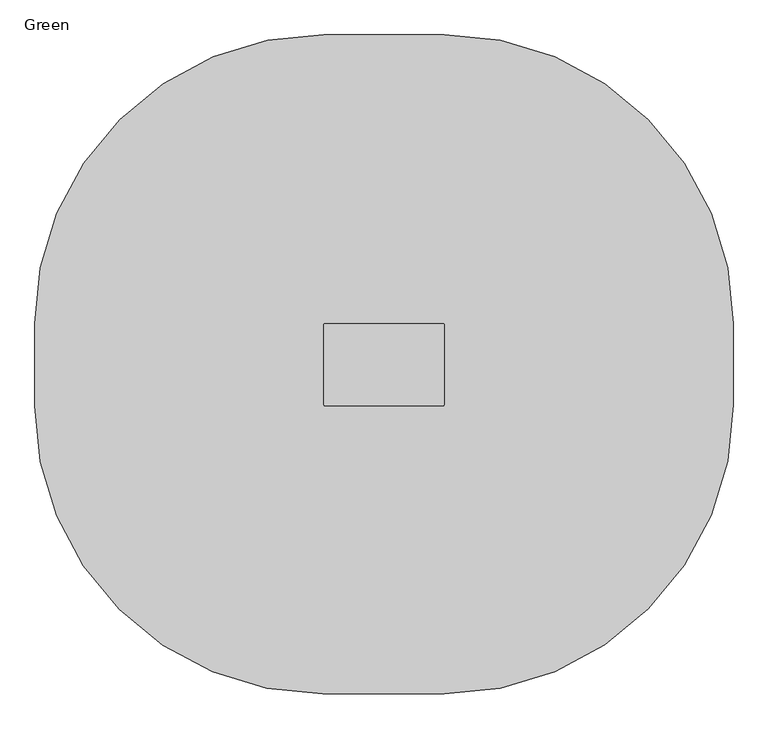
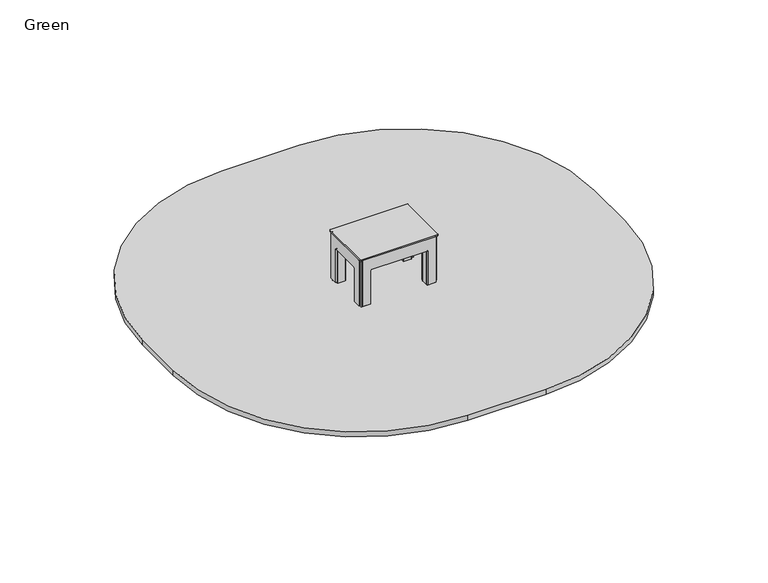
"""IFC4 building model written with IfcOpenShell, lengths in millimetres: furniture geometry, Green."""

import ifcopenshell
import ifcopenshell.guid

model = None  # the IFC model being written
_history = None  # IfcOwnerHistory: only IFC2X3 demands one
_inside = {}  # id of a spatial element -> (the spatial element, [elements in it])
_under = {}  # id of a project, library or spatial element -> (it, [spatial elements below it])
_declared = {}  # id of a project -> (the project, [libraries it declares])
_typed = {}  # id of a type object -> (the type object, [elements of that type])
_made_of = {}  # id of a material, layer set ... -> (it, [elements and type objects made of it])


def new_model(schema):
    """Start an empty IFC model of exactly this schema.

    Asked for "IFC4X3", IfcOpenShell would pick the latest addendum, in which some entities
    have other attributes; the version numbers below select the first issue.
    IFC2X3 requires an IfcOwnerHistory on every rooted entity: one is made here for all.
    """
    global model, _history
    if schema == "IFC4X3":
        model = ifcopenshell.file(schema_version=(4, 3, 0, 0))
    else:
        model = ifcopenshell.file(schema=schema)
    _inside.clear()
    _under.clear()
    _declared.clear()
    _typed.clear()
    _made_of.clear()
    _history = None
    if model.schema == "IFC2X3":
        org = make("IfcOrganization", Name="unknown")
        user = make(
            "IfcPersonAndOrganization",
            ThePerson=make("IfcPerson", FamilyName="unknown"),
            TheOrganization=org,
        )
        app = make(
            "IfcApplication",
            ApplicationDeveloper=org,
            Version="unknown",
            ApplicationFullName="unknown",
            ApplicationIdentifier="unknown",
        )
        _history = make(
            "IfcOwnerHistory",
            OwningUser=user,
            OwningApplication=app,
            ChangeAction="ADDED",
            CreationDate=0,
        )
    return model


def make(cls, **values):
    """One entity of the class cls with the attributes given. An attribute that is None is left unset."""
    return model.create_entity(
        cls, **{name: value for name, value in values.items() if value is not None}
    )


def rooted(cls, **values):
    """An entity with a GlobalId (a new one), such as an element, a storey or a relation."""
    return make(cls, GlobalId=ifcopenshell.guid.new(), OwnerHistory=_history, **values)


def si_unit(unit_type, name, prefix=None):
    """IfcSIUnit, for example si_unit("LENGTHUNIT", "METRE", prefix="MILLI")."""
    return make("IfcSIUnit", UnitType=unit_type, Prefix=prefix, Name=name)


def assignment(units):
    """IfcUnitAssignment: the units of a project."""
    return None if units is None else make("IfcUnitAssignment", Units=units)


def point(xyz):
    """IfcCartesianPoint."""
    return None if xyz is None else make("IfcCartesianPoint", Coordinates=xyz)


def direction(xyz):
    """IfcDirection."""
    return None if xyz is None else make("IfcDirection", DirectionRatios=xyz)


def frame(location, z_axis=None, x_axis=None):
    """IfcAxis2Placement3D, a coordinate frame: its origin and axes. An axis left out is left unset."""
    return make(
        "IfcAxis2Placement3D",
        Location=point(location),
        Axis=direction(z_axis),
        RefDirection=direction(x_axis),
    )


def frame_2d(location, x_axis=None):
    """IfcAxis2Placement2D, a coordinate frame in the plane: its origin and x axis."""
    return make(
        "IfcAxis2Placement2D", Location=point(location), RefDirection=direction(x_axis)
    )


def origin():
    """The frame at (0, 0, 0) with its axes left unset."""
    return frame((0.0, 0.0, 0.0))


def place(relative_to, where):
    """IfcLocalPlacement: puts the frame where relative to a parent placement (None: the world)."""
    return make(
        "IfcLocalPlacement", PlacementRelTo=relative_to, RelativePlacement=where
    )


def context(
    kind, dimensions, precision=None, world=None, true_north=None, identifier=None
):
    """IfcGeometricRepresentationContext, for example the 3D "Model" context."""
    return make(
        "IfcGeometricRepresentationContext",
        ContextIdentifier=identifier,
        ContextType=kind,
        CoordinateSpaceDimension=dimensions,
        Precision=precision,
        WorldCoordinateSystem=world,
        TrueNorth=true_north,
    )


def project(units=None, contexts=None):
    """IfcProject with its units and contexts."""
    return rooted(
        "IfcProject",
        Name="project",
        RepresentationContexts=contexts,
        UnitsInContext=assignment(units),
    )


def spatial(cls, under=None, at=None, **own):
    """A site, building, storey or space (cls), placed at a placement, below another one or the project."""
    s = rooted(cls, ObjectPlacement=at, **own)
    if under is not None:
        _under.setdefault(under.id(), (under, []))[1].append(s)
    return s


def polyline(points):
    """IfcPolyline through the points."""
    return make("IfcPolyline", Points=[point(p) for p in points])


def circle_curve(where, radius):
    """IfcCircle in the frame where."""
    return make("IfcCircle", Position=where, Radius=radius)


def trimmed(basis, trim1, trim2, sense, master):
    """IfcTrimmedCurve: the piece of a basis curve between two trims."""
    return make(
        "IfcTrimmedCurve",
        BasisCurve=basis,
        Trim1=trim1,
        Trim2=trim2,
        SenseAgreement=sense,
        MasterRepresentation=master,
    )


def segment(curve, same_sense, transition):
    """IfcCompositeCurveSegment."""
    return make(
        "IfcCompositeCurveSegment",
        Transition=transition,
        SameSense=same_sense,
        ParentCurve=curve,
    )


def composite_curve(segments, self_intersect=None):
    """IfcCompositeCurve: segments joined end to end."""
    return make("IfcCompositeCurve", Segments=segments, SelfIntersect=self_intersect)


def outline(outer, holes=None, kind="AREA"):
    """IfcArbitraryClosedProfileDef: a profile drawn as a closed curve; with holes, ...WithVoids."""
    if holes is None:
        return make("IfcArbitraryClosedProfileDef", ProfileType=kind, OuterCurve=outer)
    return make(
        "IfcArbitraryProfileDefWithVoids",
        ProfileType=kind,
        OuterCurve=outer,
        InnerCurves=holes,
    )


def extrude(swept, where, along, depth):
    """IfcExtrudedAreaSolid: the profile swept, set in the frame where, extruded along a direction by depth."""
    return make(
        "IfcExtrudedAreaSolid",
        SweptArea=swept,
        Position=where,
        ExtrudedDirection=direction(along),
        Depth=depth,
    )


def shape(context_of_items, identifier, shape_type, items):
    """IfcShapeRepresentation: the items that make up one representation, for example the "Body"."""
    return make(
        "IfcShapeRepresentation",
        ContextOfItems=context_of_items,
        RepresentationIdentifier=identifier,
        RepresentationType=shape_type,
        Items=items,
    )


def source(mapping_origin, context_of_items, identifier, shape_type, items):
    """IfcRepresentationMap: a shape defined once, which mapped items show again and again."""
    return make(
        "IfcRepresentationMap",
        MappingOrigin=mapping_origin,
        MappedRepresentation=shape(context_of_items, identifier, shape_type, items),
    )


def transform(
    local_origin,
    x_axis=None,
    y_axis=None,
    z_axis=None,
    scale=None,
    scale2=None,
    scale3=None,
    uniform=True,
):
    """IfcCartesianTransformationOperator3D, or its non-uniform kind. x_axis, y_axis, z_axis: its Axis1, 2, 3."""
    if uniform:
        return make(
            "IfcCartesianTransformationOperator3D",
            Axis1=direction(x_axis),
            Axis2=direction(y_axis),
            LocalOrigin=point(local_origin),
            Scale=scale,
            Axis3=direction(z_axis),
        )
    return make(
        "IfcCartesianTransformationOperator3DnonUniform",
        Axis1=direction(x_axis),
        Axis2=direction(y_axis),
        LocalOrigin=point(local_origin),
        Scale=scale,
        Axis3=direction(z_axis),
        Scale2=scale2,
        Scale3=scale3,
    )


def mapped(mapping_source, mapping_target):
    """IfcMappedItem: shows the shape of a source again, moved by a transform."""
    return make(
        "IfcMappedItem", MappingSource=mapping_source, MappingTarget=mapping_target
    )


def made_of(thing, what):
    """Note that an element or type object is made of a material, layer set ...; save() writes the relation."""
    if what is not None:
        _made_of.setdefault(what.id(), (what, []))[1].append(thing)
    return thing


def element(
    cls,
    number,
    at=None,
    inside=None,
    cuts=None,
    type_object=None,
    material=None,
    context=None,
    identifier="Body",
    shape_type=None,
    held_by="IfcProductDefinitionShape",
    body=None,
    shapes=None,
    **own,
):
    """One element of the class cls, such as IfcWall. Its Tag is "e" and its number.

    at: its placement. inside: the storey or other place that contains it. cuts: it is an
    opening in that element (IfcRelVoidsElement). A single representation is given by context,
    identifier, shape_type and body (its items); several are given by shapes. held_by: the class
    of the entity that holds the representations. save() writes the other relations.
    """
    e = rooted(cls, Tag="e%d" % number, ObjectPlacement=at, **own)
    if body is not None:
        shapes = [shape(context, identifier, shape_type, body)]
    if shapes is not None:
        e.Representation = make(held_by, Representations=shapes)
    if inside is not None:
        _inside.setdefault(inside.id(), (inside, []))[1].append(e)
    if cuts is not None:
        rooted(
            "IfcRelVoidsElement", RelatingBuildingElement=cuts, RelatedOpeningElement=e
        )
    if type_object is not None:
        _typed.setdefault(type_object.id(), (type_object, []))[1].append(e)
    return made_of(e, material)


def aggregate(whole, parts):
    """IfcRelAggregates: a whole, such as a stair, and the parts it consists of."""
    return rooted("IfcRelAggregates", RelatingObject=whole, RelatedObjects=parts)


def save(model, path):
    """Write the relations noted so far, then the file.

    IfcRelAggregates (storeys below a building ...), IfcRelContainedInSpatialStructure (elements
    in a storey), IfcRelDefinesByType, IfcRelAssociatesMaterial and IfcRelDeclares: one each for
    every whole, place, type object, material and project.
    """
    for whole, parts in _under.values():
        aggregate(whole, parts)
    for where, things in _inside.values():
        rooted(
            "IfcRelContainedInSpatialStructure",
            RelatedElements=things,
            RelatingStructure=where,
        )
    for kind, things in _typed.values():
        rooted("IfcRelDefinesByType", RelatedObjects=things, RelatingType=kind)
    for what, things in _made_of.values():
        rooted("IfcRelAssociatesMaterial", RelatedObjects=things, RelatingMaterial=what)
    for by, libraries in _declared.values():
        rooted("IfcRelDeclares", RelatingContext=by, RelatedDefinitions=libraries)
    model.write(path)


def plane_surface(at):
    """IfcPlane: the flat surface through the origin of the frame at, square to its z axis."""
    return make("IfcPlane", Position=at)


def cylinder_surface(at, radius):
    """IfcCylindricalSurface: all points at the distance radius from the z axis of the frame at."""
    return make("IfcCylindricalSurface", Position=at, Radius=radius)


def extruded_surface(curve, direction_of_extrusion, depth):
    """IfcSurfaceOfLinearExtrusion: the curve pushed along a direction by depth."""
    return make(
        "IfcSurfaceOfLinearExtrusion",
        SweptCurve=make("IfcArbitraryOpenProfileDef", ProfileType="CURVE", Curve=curve),
        ExtrudedDirection=direction(direction_of_extrusion),
        Depth=depth,
    )


def advanced_brep(points, edges, surfaces, faces):
    """IfcAdvancedBrep: a solid bounded by faces that lie on surfaces and meet in shared edges.

    An edge is (start, end): straight between two places in points (the first is 0);
    or (start, end, curve); or (start, end, curve, False) where it runs against its curve.
    A face is (place in surfaces, loops), or (place, loops, False) where it looks against
    its surface's normal. A loop lists edges by number (the first is 1), with a minus sign
    where the edge is run from its end to its start. The first loop is the outer one.
    """
    corners = [point(p) for p in points]
    vertices = [make("IfcVertexPoint", VertexGeometry=c) for c in corners]
    made = []
    for start, end, *more in edges:
        made.append(
            make(
                "IfcEdgeCurve",
                EdgeStart=vertices[start],
                EdgeEnd=vertices[end],
                EdgeGeometry=more[0] if more else make("IfcPolyline", Points=[corners[start], corners[end]]),
                SameSense=more[1] if len(more) > 1 else True,
            )
        )
    hull = []
    for where, loops, *sense in faces:
        bounds = []
        for j, loop in enumerate(loops):
            ring = [make("IfcOrientedEdge", EdgeElement=made[abs(k) - 1], Orientation=k > 0) for k in loop]
            bounds.append(
                make(
                    "IfcFaceOuterBound" if j == 0 else "IfcFaceBound",
                    Bound=make("IfcEdgeLoop", EdgeList=ring),
                    Orientation=True,
                )
            )
        hull.append(make("IfcAdvancedFace", Bounds=bounds, FaceSurface=surfaces[where], SameSense=sense[0] if sense else True))
    return make("IfcAdvancedBrep", Outer=make("IfcClosedShell", CfsFaces=hull))


def green_a749d37f(model_context):
    return source(origin(), model_context, "Body", "SolidModel", [
        extrude(outline(composite_curve([segment(trimmed(circle_curve(frame_2d((-235.0, -30.0)), 5.0), [point((-230.0, -30.0))], [point((-235.0, -35.0))], False, "CARTESIAN"), True, "CONTINUOUS"), segment(polyline([(-235.0, -35.0), (-295.0, -35.0)]), True, "CONTINUOUS"), segment(trimmed(circle_curve(frame_2d((-295.0, -30.0)), 5.0), [point((-295.0, -35.0))], [point((-300.0, -30.0))], False, "CARTESIAN"), True, "CONTINUOUS"), segment(polyline([(-300.0, -30.0), (-300.0, 30.0)]), True, "CONTINUOUS"), segment(trimmed(circle_curve(frame_2d((-295.0, 30.0)), 5.0), [point((-300.0, 30.0))], [point((-295.0, 35.0))], False, "CARTESIAN"), True, "CONTINUOUS"), segment(polyline([(-295.0, 35.0), (-235.0, 35.0)]), True, "CONTINUOUS"), segment(trimmed(circle_curve(frame_2d((-235.0, 30.0)), 5.0), [point((-235.0, 35.0))], [point((-230.0, 30.0))], False, "CARTESIAN"), True, "CONTINUOUS"), segment(polyline([(-230.0, 30.0), (-230.0, -30.0)]), True, "CONTINUOUS")], self_intersect=False)), frame((0.0, 0.0, -600.0), z_axis=(0.0, 0.0, 1.0), x_axis=(1.0, 0.0, 0.0)), (0.0, 0.0, 1.0), 500.0),
        advanced_brep(
        [(-175.0, 150.0, -600.0), (-115.0, 90.0, -600.0), (-115.0, -90.0, -600.0), (-175.0, -150.0, -600.0), (-355.0, -150.0, -600.0), (-415.0, -90.0, -600.0), (-415.0, 90.0, -600.0), (-355.0, 150.0, -600.0), (-355.0, 150.0, -460.0), (-175.0, 150.0, -460.0), (-415.0, -90.0, -460.0), (-415.0, 90.0, -460.0), (-175.0, -150.0, -460.0), (-355.0, -150.0, -460.0), (-115.0, 90.0, -460.0), (-115.0, -90.0, -460.0), (-277.2959549, 72.6989403, -250.0), (-337.2959549, 12.6989403, -250.0), (-337.2959549, -12.6989403, -250.0), (-277.2959549, -72.6989403, -250.0), (-252.7040451, -72.6989403, -250.0), (-192.7040451, -12.6989403, -250.0), (-192.7040451, 12.6989403, -250.0), (-252.7040451, 72.6989403, -250.0)],
        [
            (0, 1, circle_curve(frame((-175.0, 90.0, -600.0), z_axis=(0.0, 0.0, -1.0), x_axis=(1.0, 0.0, 0.0)), 60.0)),
            (1, 2),
            (2, 3, circle_curve(frame((-175.0, -90.0, -600.0), z_axis=(0.0, 0.0, -1.0), x_axis=(1.0, 0.0, 0.0)), 60.0)),
            (3, 4),
            (4, 5, circle_curve(frame((-355.0, -90.0, -600.0), z_axis=(0.0, 0.0, -1.0), x_axis=(1.0, 0.0, 0.0)), 60.0)),
            (5, 6),
            (6, 7, circle_curve(frame((-355.0, 90.0, -600.0), z_axis=(0.0, 0.0, -1.0), x_axis=(1.0, 0.0, 0.0)), 60.0)),
            (7, 0),
            (7, 8),
            (8, 9),
            (9, 0),
            (5, 10),
            (10, 11),
            (11, 6),
            (3, 12),
            (12, 13),
            (13, 4),
            (1, 14),
            (14, 15),
            (15, 2),
            (16, 17, circle_curve(frame((-277.2959549, 12.6989403, -250.0), z_axis=(0.0, 0.0, 1.0), x_axis=(1.0, 0.0, 0.0)), 60.0)),
            (17, 18),
            (18, 19, circle_curve(frame((-277.2959549, -12.6989403, -250.0), z_axis=(0.0, 0.0, 1.0), x_axis=(1.0, 0.0, 0.0)), 60.0)),
            (19, 20),
            (20, 21, circle_curve(frame((-252.7040451, -12.6989403, -250.0), z_axis=(0.0, 0.0, 1.0), x_axis=(1.0, 0.0, 0.0)), 60.0)),
            (21, 22),
            (22, 23, circle_curve(frame((-252.7040451, 12.6989403, -250.0), z_axis=(0.0, 0.0, 1.0), x_axis=(1.0, 0.0, 0.0)), 60.0)),
            (23, 16),
            (17, 11),
            (10, 18),
            (19, 13),
            (12, 20),
            (21, 15),
            (14, 22),
            (23, 9),
            (8, 16),
            (11, 8, circle_curve(frame((-355.0, 90.0, -460.0), z_axis=(0.0, 0.0, -1.0), x_axis=(1.0, 0.0, 0.0)), 60.0)),
            (13, 10, circle_curve(frame((-355.0, -90.0, -460.0), z_axis=(0.0, 0.0, -1.0), x_axis=(1.0, 0.0, 0.0)), 60.0)),
            (15, 12, circle_curve(frame((-175.0, -90.0, -460.0), z_axis=(0.0, 0.0, -1.0), x_axis=(1.0, 0.0, 0.0)), 60.0)),
            (9, 14, circle_curve(frame((-175.0, 90.0, -460.0), z_axis=(0.0, 0.0, -1.0), x_axis=(1.0, 0.0, 0.0)), 60.0)),
        ],
        [
            plane_surface(frame((-441.6329682, 150.0, -600.0), z_axis=(0.0, 0.0, -1.0), x_axis=(1.0, 0.0, 0.0))),
            plane_surface(frame((-175.0, 150.0, -460.0), z_axis=(0.0, 1.0, 0.0), x_axis=(0.0, 0.0, -1.0))),
            plane_surface(frame((-415.0, 90.0, -460.0), z_axis=(-1.0, 0.0, 0.0), x_axis=(0.0, 0.0, -1.0))),
            plane_surface(frame((-355.0, -150.0, -460.0), z_axis=(0.0, -1.0, 0.0), x_axis=(0.0, 0.0, -1.0))),
            plane_surface(frame((-115.0, -90.0, -460.0), z_axis=(1.0, 0.0, 0.0), x_axis=(0.0, 0.0, -1.0))),
            plane_surface(frame((-265.0, 0.0, -250.0), z_axis=(0.0, 0.0, 1.0), x_axis=(-1.0, 0.0, 0.0))),
            plane_surface(frame((-415.0, 0.0, -460.0), z_axis=(-0.9378559633153523, 0.0, 0.3470247715564883), x_axis=(0.0, -1.0, 0.0))),
            plane_surface(frame((-265.0, -150.0, -460.0), z_axis=(0.0, -0.9384407279810882, 0.3454402988452927), x_axis=(1.0, 0.0, 0.0))),
            plane_surface(frame((-115.0, 0.0, -460.0), z_axis=(0.9378559633153524, 0.0, 0.34702477155648764), x_axis=(0.0, 1.0, 0.0))),
            plane_surface(frame((-265.0, 150.0, -460.0), z_axis=(0.0, 0.9384407279810884, 0.3454402988452924), x_axis=(-1.0, 0.0, 0.0))),
            cylinder_surface(frame((-355.0, 90.0, -600.0), z_axis=(0.0, 0.0, 1.0), x_axis=(1.0, 0.0, 0.0)), 60.0),
            cylinder_surface(frame((-355.0, -90.0, -600.0), z_axis=(0.0, 0.0, 1.0), x_axis=(1.0, 0.0, 0.0)), 60.0),
            cylinder_surface(frame((-175.0, -90.0, -600.0), z_axis=(0.0, 0.0, 1.0), x_axis=(1.0, 0.0, 0.0)), 60.0),
            cylinder_surface(frame((-175.0, 90.0, -600.0), z_axis=(0.0, 0.0, 1.0), x_axis=(1.0, 0.0, 0.0)), 60.0),
            extruded_surface(trimmed(circle_curve(frame((-355.0, 90.0, -460.0), z_axis=(0.0, 0.0, 1.0), x_axis=(1.0, 0.0, 0.0)), 60.0), [point((-355.0, 150.0, -460.0))], [point((-415.0, 90.0, -460.0))], True, "CARTESIAN"), (77.70404509999997, -77.3010597, 210.0), 236.8826132404947),
            extruded_surface(trimmed(circle_curve(frame((-175.0, 90.0, -460.0), z_axis=(0.0, 0.0, 1.0), x_axis=(1.0, 0.0, 0.0)), 60.0), [point((-115.0, 90.0, -460.0))], [point((-175.0, 150.0, -460.0))], True, "CARTESIAN"), (-77.7040451, -77.3010597, 210.0), 236.8826132404947),
            extruded_surface(trimmed(circle_curve(frame((-355.0, -90.0, -460.0), z_axis=(0.0, 0.0, 1.0), x_axis=(1.0, 0.0, 0.0)), 60.0), [point((-415.0, -90.0, -460.0))], [point((-355.0, -150.0, -460.0))], True, "CARTESIAN"), (77.70404509999997, 77.3010597, 210.0), 236.8826132404947),
            extruded_surface(trimmed(circle_curve(frame((-175.0, -90.0, -460.0), z_axis=(0.0, 0.0, 1.0), x_axis=(1.0, 0.0, 0.0)), 60.0), [point((-175.0, -150.0, -460.0))], [point((-115.0, -90.0, -460.0))], True, "CARTESIAN"), (-77.7040451, 77.3010597, 210.0), 236.8826132404947),
        ],
        [
            (0, [[1, 2, 3, 4, 5, 6, 7, 8]]),
            (1, [[-8, 9, 10, 11]]),
            (2, [[-6, 12, 13, 14]]),
            (3, [[-4, 15, 16, 17]]),
            (4, [[-2, 18, 19, 20]]),
            (5, [[21, 22, 23, 24, 25, 26, 27, 28]]),
            (6, [[-22, 29, -13, 30]]),
            (7, [[-24, 31, -16, 32]]),
            (8, [[-26, 33, -19, 34]]),
            (9, [[-28, 35, -10, 36]]),
            (10, [[-7, -14, 37, -9]]),
            (11, [[-5, -17, 38, -12]]),
            (12, [[-3, -20, 39, -15]]),
            (13, [[-1, -11, 40, -18]]),
            (14, [[-21, -36, -37, -29]]),
            (15, [[-27, -34, -40, -35]]),
            (16, [[-23, -30, -38, -31]]),
            (17, [[-25, -32, -39, -33]]),
        ],
    ),
        extrude(outline(composite_curve([segment(trimmed(circle_curve(frame_2d((295.0, -30.0)), 5.0), [point((300.0, -30.0))], [point((295.0, -35.0))], False, "CARTESIAN"), True, "CONTINUOUS"), segment(polyline([(295.0, -35.0), (235.0, -35.0)]), True, "CONTINUOUS"), segment(trimmed(circle_curve(frame_2d((235.0, -30.0)), 5.0), [point((235.0, -35.0))], [point((230.0, -30.0))], False, "CARTESIAN"), True, "CONTINUOUS"), segment(polyline([(230.0, -30.0), (230.0, 30.0)]), True, "CONTINUOUS"), segment(trimmed(circle_curve(frame_2d((235.0, 30.0)), 5.0), [point((230.0, 30.0))], [point((235.0, 35.0))], False, "CARTESIAN"), True, "CONTINUOUS"), segment(polyline([(235.0, 35.0), (295.0, 35.0)]), True, "CONTINUOUS"), segment(trimmed(circle_curve(frame_2d((295.0, 30.0)), 5.0), [point((295.0, 35.0))], [point((300.0, 30.0))], False, "CARTESIAN"), True, "CONTINUOUS"), segment(polyline([(300.0, 30.0), (300.0, -30.0)]), True, "CONTINUOUS")], self_intersect=False)), frame((0.0, 0.0, -600.0), z_axis=(0.0, 0.0, 1.0), x_axis=(1.0, 0.0, 0.0)), (0.0, 0.0, 1.0), 500.0),
        advanced_brep(
        [(355.0, 150.0, -600.0), (415.0, 90.0, -600.0), (415.0, -90.0, -600.0), (355.0, -150.0, -600.0), (175.0, -150.0, -600.0), (115.0, -90.0, -600.0), (115.0, 90.0, -600.0), (175.0, 150.0, -600.0), (175.0, 150.0, -460.0), (355.0, 150.0, -460.0), (115.0, -90.0, -460.0), (115.0, 90.0, -460.0), (355.0, -150.0, -460.0), (175.0, -150.0, -460.0), (415.0, 90.0, -460.0), (415.0, -90.0, -460.0), (252.7040451, 72.6989403, -250.0), (192.7040451, 12.6989403, -250.0), (192.7040451, -12.6989403, -250.0), (252.7040451, -72.6989403, -250.0), (277.2959549, -72.6989403, -250.0), (337.2959549, -12.6989403, -250.0), (337.2959549, 12.6989403, -250.0), (277.2959549, 72.6989403, -250.0)],
        [
            (0, 1, circle_curve(frame((355.0, 90.0, -600.0), z_axis=(0.0, 0.0, -1.0), x_axis=(1.0, 0.0, 0.0)), 60.0)),
            (1, 2),
            (2, 3, circle_curve(frame((355.0, -90.0, -600.0), z_axis=(0.0, 0.0, -1.0), x_axis=(1.0, 0.0, 0.0)), 60.0)),
            (3, 4),
            (4, 5, circle_curve(frame((175.0, -90.0, -600.0), z_axis=(0.0, 0.0, -1.0), x_axis=(1.0, 0.0, 0.0)), 60.0)),
            (5, 6),
            (6, 7, circle_curve(frame((175.0, 90.0, -600.0), z_axis=(0.0, 0.0, -1.0), x_axis=(1.0, 0.0, 0.0)), 60.0)),
            (7, 0),
            (7, 8),
            (8, 9),
            (9, 0),
            (5, 10),
            (10, 11),
            (11, 6),
            (3, 12),
            (12, 13),
            (13, 4),
            (1, 14),
            (14, 15),
            (15, 2),
            (16, 17, circle_curve(frame((252.7040451, 12.6989403, -250.0), z_axis=(0.0, 0.0, 1.0), x_axis=(1.0, 0.0, 0.0)), 60.0)),
            (17, 18),
            (18, 19, circle_curve(frame((252.7040451, -12.6989403, -250.0), z_axis=(0.0, 0.0, 1.0), x_axis=(1.0, 0.0, 0.0)), 60.0)),
            (19, 20),
            (20, 21, circle_curve(frame((277.2959549, -12.6989403, -250.0), z_axis=(0.0, 0.0, 1.0), x_axis=(1.0, 0.0, 0.0)), 60.0)),
            (21, 22),
            (22, 23, circle_curve(frame((277.2959549, 12.6989403, -250.0), z_axis=(0.0, 0.0, 1.0), x_axis=(1.0, 0.0, 0.0)), 60.0)),
            (23, 16),
            (17, 11),
            (10, 18),
            (19, 13),
            (12, 20),
            (21, 15),
            (14, 22),
            (23, 9),
            (8, 16),
            (11, 8, circle_curve(frame((175.0, 90.0, -460.0), z_axis=(0.0, 0.0, -1.0), x_axis=(1.0, 0.0, 0.0)), 60.0)),
            (13, 10, circle_curve(frame((175.0, -90.0, -460.0), z_axis=(0.0, 0.0, -1.0), x_axis=(1.0, 0.0, 0.0)), 60.0)),
            (15, 12, circle_curve(frame((355.0, -90.0, -460.0), z_axis=(0.0, 0.0, -1.0), x_axis=(1.0, 0.0, 0.0)), 60.0)),
            (9, 14, circle_curve(frame((355.0, 90.0, -460.0), z_axis=(0.0, 0.0, -1.0), x_axis=(1.0, 0.0, 0.0)), 60.0)),
        ],
        [
            plane_surface(frame((88.3670318, 150.0, -600.0), z_axis=(0.0, 0.0, -1.0), x_axis=(1.0, 0.0, 0.0))),
            plane_surface(frame((355.0, 150.0, -460.0), z_axis=(0.0, 1.0, 0.0), x_axis=(0.0, 0.0, -1.0))),
            plane_surface(frame((115.0, 90.0, -460.0), z_axis=(-1.0, 0.0, 0.0), x_axis=(0.0, 0.0, -1.0))),
            plane_surface(frame((175.0, -150.0, -460.0), z_axis=(0.0, -1.0, 0.0), x_axis=(0.0, 0.0, -1.0))),
            plane_surface(frame((415.0, -90.0, -460.0), z_axis=(1.0, 0.0, 0.0), x_axis=(0.0, 0.0, -1.0))),
            plane_surface(frame((265.0, 0.0, -250.0), z_axis=(0.0, 0.0, 1.0), x_axis=(-1.0, 0.0, 0.0))),
            plane_surface(frame((115.0, 0.0, -460.0), z_axis=(-0.9378559633153523, 0.0, 0.3470247715564883), x_axis=(0.0, -1.0, 0.0))),
            plane_surface(frame((265.0, -150.0, -460.0), z_axis=(0.0, -0.9384407279810882, 0.3454402988452927), x_axis=(1.0, 0.0, 0.0))),
            plane_surface(frame((415.0, 0.0, -460.0), z_axis=(0.9378559633153524, 0.0, 0.34702477155648764), x_axis=(0.0, 1.0, 0.0))),
            plane_surface(frame((265.0, 150.0, -460.0), z_axis=(0.0, 0.9384407279810884, 0.3454402988452924), x_axis=(-1.0, 0.0, 0.0))),
            cylinder_surface(frame((175.0, 90.0, -600.0), z_axis=(0.0, 0.0, 1.0), x_axis=(1.0, 0.0, 0.0)), 60.0),
            cylinder_surface(frame((175.0, -90.0, -600.0), z_axis=(0.0, 0.0, 1.0), x_axis=(1.0, 0.0, 0.0)), 60.0),
            cylinder_surface(frame((355.0, -90.0, -600.0), z_axis=(0.0, 0.0, 1.0), x_axis=(1.0, 0.0, 0.0)), 60.0),
            cylinder_surface(frame((355.0, 90.0, -600.0), z_axis=(0.0, 0.0, 1.0), x_axis=(1.0, 0.0, 0.0)), 60.0),
            extruded_surface(trimmed(circle_curve(frame((175.0, 90.0, -460.0), z_axis=(0.0, 0.0, 1.0), x_axis=(1.0, 0.0, 0.0)), 60.0), [point((175.0, 150.0, -460.0))], [point((115.0, 90.0, -460.0))], True, "CARTESIAN"), (77.7040451, -77.3010597, 210.0), 236.8826132404947),
            extruded_surface(trimmed(circle_curve(frame((355.0, 90.0, -460.0), z_axis=(0.0, 0.0, 1.0), x_axis=(1.0, 0.0, 0.0)), 60.0), [point((415.0, 90.0, -460.0))], [point((355.0, 150.0, -460.0))], True, "CARTESIAN"), (-77.70404509999997, -77.3010597, 210.0), 236.8826132404947),
            extruded_surface(trimmed(circle_curve(frame((175.0, -90.0, -460.0), z_axis=(0.0, 0.0, 1.0), x_axis=(1.0, 0.0, 0.0)), 60.0), [point((115.0, -90.0, -460.0))], [point((175.0, -150.0, -460.0))], True, "CARTESIAN"), (77.7040451, 77.3010597, 210.0), 236.8826132404947),
            extruded_surface(trimmed(circle_curve(frame((355.0, -90.0, -460.0), z_axis=(0.0, 0.0, 1.0), x_axis=(1.0, 0.0, 0.0)), 60.0), [point((355.0, -150.0, -460.0))], [point((415.0, -90.0, -460.0))], True, "CARTESIAN"), (-77.70404509999997, 77.3010597, 210.0), 236.8826132404947),
        ],
        [
            (0, [[1, 2, 3, 4, 5, 6, 7, 8]]),
            (1, [[-8, 9, 10, 11]]),
            (2, [[-6, 12, 13, 14]]),
            (3, [[-4, 15, 16, 17]]),
            (4, [[-2, 18, 19, 20]]),
            (5, [[21, 22, 23, 24, 25, 26, 27, 28]]),
            (6, [[-22, 29, -13, 30]]),
            (7, [[-24, 31, -16, 32]]),
            (8, [[-26, 33, -19, 34]]),
            (9, [[-28, 35, -10, 36]]),
            (10, [[-7, -14, 37, -9]]),
            (11, [[-5, -17, 38, -12]]),
            (12, [[-3, -20, 39, -15]]),
            (13, [[-1, -11, 40, -18]]),
            (14, [[-21, -36, -37, -29]]),
            (15, [[-27, -34, -40, -35]]),
            (16, [[-23, -30, -38, -31]]),
            (17, [[-25, -32, -39, -33]]),
        ],
    ),
        extrude(outline(composite_curve([segment(trimmed(circle_curve(frame_2d((295.0, 300.0)), 5.0), [point((300.0, 300.0))], [point((295.0, 295.0))], False, "CARTESIAN"), True, "CONTINUOUS"), segment(polyline([(295.0, 295.0), (235.0, 295.0)]), True, "CONTINUOUS"), segment(trimmed(circle_curve(frame_2d((235.0, 300.0)), 5.0), [point((235.0, 295.0))], [point((230.0, 300.0))], False, "CARTESIAN"), True, "CONTINUOUS"), segment(polyline([(230.0, 300.0), (230.0, 360.0)]), True, "CONTINUOUS"), segment(trimmed(circle_curve(frame_2d((235.0, 360.0)), 5.0), [point((230.0, 360.0))], [point((235.0, 365.0))], False, "CARTESIAN"), True, "CONTINUOUS"), segment(polyline([(235.0, 365.0), (295.0, 365.0)]), True, "CONTINUOUS"), segment(trimmed(circle_curve(frame_2d((295.0, 360.0)), 5.0), [point((295.0, 365.0))], [point((300.0, 360.0))], False, "CARTESIAN"), True, "CONTINUOUS"), segment(polyline([(300.0, 360.0), (300.0, 300.0)]), True, "CONTINUOUS")], self_intersect=False)), frame((0.0, 0.0, -600.0), z_axis=(0.0, 0.0, 1.0), x_axis=(1.0, 0.0, 0.0)), (0.0, 0.0, 1.0), 500.0),
        advanced_brep(
        [(355.0, 480.0, -600.0), (415.0, 420.0, -600.0), (415.0, 240.0, -600.0), (355.0, 180.0, -600.0), (175.0, 180.0, -600.0), (115.0, 240.0, -600.0), (115.0, 420.0, -600.0), (175.0, 480.0, -600.0), (175.0, 480.0, -460.0), (355.0, 480.0, -460.0), (115.0, 240.0, -460.0), (115.0, 420.0, -460.0), (355.0, 180.0, -460.0), (175.0, 180.0, -460.0), (415.0, 420.0, -460.0), (415.0, 240.0, -460.0), (252.7040451, 402.6989403, -250.0), (192.7040451, 342.6989403, -250.0), (192.7040451, 317.3010597, -250.0), (252.7040451, 257.3010597, -250.0), (277.2959549, 257.3010597, -250.0), (337.2959549, 317.3010597, -250.0), (337.2959549, 342.6989403, -250.0), (277.2959549, 402.6989403, -250.0)],
        [
            (0, 1, circle_curve(frame((355.0, 420.0, -600.0), z_axis=(0.0, 0.0, -1.0), x_axis=(1.0, 0.0, 0.0)), 60.0)),
            (1, 2),
            (2, 3, circle_curve(frame((355.0, 240.0, -600.0), z_axis=(0.0, 0.0, -1.0), x_axis=(1.0, 0.0, 0.0)), 60.0)),
            (3, 4),
            (4, 5, circle_curve(frame((175.0, 240.0, -600.0), z_axis=(0.0, 0.0, -1.0), x_axis=(1.0, 0.0, 0.0)), 60.0)),
            (5, 6),
            (6, 7, circle_curve(frame((175.0, 420.0, -600.0), z_axis=(0.0, 0.0, -1.0), x_axis=(1.0, 0.0, 0.0)), 60.0)),
            (7, 0),
            (7, 8),
            (8, 9),
            (9, 0),
            (5, 10),
            (10, 11),
            (11, 6),
            (3, 12),
            (12, 13),
            (13, 4),
            (1, 14),
            (14, 15),
            (15, 2),
            (16, 17, circle_curve(frame((252.7040451, 342.6989403, -250.0), z_axis=(0.0, 0.0, 1.0), x_axis=(1.0, 0.0, 0.0)), 60.0)),
            (17, 18),
            (18, 19, circle_curve(frame((252.7040451, 317.3010597, -250.0), z_axis=(0.0, 0.0, 1.0), x_axis=(1.0, 0.0, 0.0)), 60.0)),
            (19, 20),
            (20, 21, circle_curve(frame((277.2959549, 317.3010597, -250.0), z_axis=(0.0, 0.0, 1.0), x_axis=(1.0, 0.0, 0.0)), 60.0)),
            (21, 22),
            (22, 23, circle_curve(frame((277.2959549, 342.6989403, -250.0), z_axis=(0.0, 0.0, 1.0), x_axis=(1.0, 0.0, 0.0)), 60.0)),
            (23, 16),
            (17, 11),
            (10, 18),
            (19, 13),
            (12, 20),
            (21, 15),
            (14, 22),
            (23, 9),
            (8, 16),
            (11, 8, circle_curve(frame((175.0, 420.0, -460.0), z_axis=(0.0, 0.0, -1.0), x_axis=(1.0, 0.0, 0.0)), 60.0)),
            (13, 10, circle_curve(frame((175.0, 240.0, -460.0), z_axis=(0.0, 0.0, -1.0), x_axis=(1.0, 0.0, 0.0)), 60.0)),
            (15, 12, circle_curve(frame((355.0, 240.0, -460.0), z_axis=(0.0, 0.0, -1.0), x_axis=(1.0, 0.0, 0.0)), 60.0)),
            (9, 14, circle_curve(frame((355.0, 420.0, -460.0), z_axis=(0.0, 0.0, -1.0), x_axis=(1.0, 0.0, 0.0)), 60.0)),
        ],
        [
            plane_surface(frame((88.3670318, 480.0, -600.0), z_axis=(0.0, 0.0, -1.0), x_axis=(1.0, 0.0, 0.0))),
            plane_surface(frame((355.0, 480.0, -460.0), z_axis=(0.0, 1.0, 0.0), x_axis=(0.0, 0.0, -1.0))),
            plane_surface(frame((115.0, 420.0, -460.0), z_axis=(-1.0, 0.0, 0.0), x_axis=(0.0, 0.0, -1.0))),
            plane_surface(frame((175.0, 180.0, -460.0), z_axis=(0.0, -1.0, 0.0), x_axis=(0.0, 0.0, -1.0))),
            plane_surface(frame((415.0, 240.0, -460.0), z_axis=(1.0, 0.0, 0.0), x_axis=(0.0, 0.0, -1.0))),
            plane_surface(frame((265.0, 330.0, -250.0), z_axis=(0.0, 0.0, 1.0), x_axis=(-1.0, 0.0, 0.0))),
            plane_surface(frame((115.0, 330.0, -460.0), z_axis=(-0.9378559633153523, 0.0, 0.3470247715564883), x_axis=(0.0, -1.0, 0.0))),
            plane_surface(frame((265.0, 180.0, -460.0), z_axis=(0.0, -0.9384407279810882, 0.3454402988452927), x_axis=(1.0, 0.0, 0.0))),
            plane_surface(frame((415.0, 330.0, -460.0), z_axis=(0.9378559633153524, 0.0, 0.34702477155648764), x_axis=(0.0, 1.0, 0.0))),
            plane_surface(frame((265.0, 480.0, -460.0), z_axis=(0.0, 0.9384407279810884, 0.3454402988452924), x_axis=(-1.0, 0.0, 0.0))),
            cylinder_surface(frame((175.0, 420.0, -600.0), z_axis=(0.0, 0.0, 1.0), x_axis=(1.0, 0.0, 0.0)), 60.0),
            cylinder_surface(frame((175.0, 240.0, -600.0), z_axis=(0.0, 0.0, 1.0), x_axis=(1.0, 0.0, 0.0)), 60.0),
            cylinder_surface(frame((355.0, 240.0, -600.0), z_axis=(0.0, 0.0, 1.0), x_axis=(1.0, 0.0, 0.0)), 60.0),
            cylinder_surface(frame((355.0, 420.0, -600.0), z_axis=(0.0, 0.0, 1.0), x_axis=(1.0, 0.0, 0.0)), 60.0),
            extruded_surface(trimmed(circle_curve(frame((175.0, 420.0, -460.0), z_axis=(0.0, 0.0, 1.0), x_axis=(1.0, 0.0, 0.0)), 60.0), [point((175.0, 480.0, -460.0))], [point((115.0, 420.0, -460.0))], True, "CARTESIAN"), (77.7040451, -77.3010597, 210.0), 236.8826132404947),
            extruded_surface(trimmed(circle_curve(frame((355.0, 420.0, -460.0), z_axis=(0.0, 0.0, 1.0), x_axis=(1.0, 0.0, 0.0)), 60.0), [point((415.0, 420.0, -460.0))], [point((355.0, 480.0, -460.0))], True, "CARTESIAN"), (-77.70404509999997, -77.3010597, 210.0), 236.8826132404947),
            extruded_surface(trimmed(circle_curve(frame((175.0, 240.0, -460.0), z_axis=(0.0, 0.0, 1.0), x_axis=(1.0, 0.0, 0.0)), 60.0), [point((115.0, 240.0, -460.0))], [point((175.0, 180.0, -460.0))], True, "CARTESIAN"), (77.7040451, 77.3010597, 210.0), 236.8826132404947),
            extruded_surface(trimmed(circle_curve(frame((355.0, 240.0, -460.0), z_axis=(0.0, 0.0, 1.0), x_axis=(1.0, 0.0, 0.0)), 60.0), [point((355.0, 180.0, -460.0))], [point((415.0, 240.0, -460.0))], True, "CARTESIAN"), (-77.70404509999997, 77.3010597, 210.0), 236.8826132404947),
        ],
        [
            (0, [[1, 2, 3, 4, 5, 6, 7, 8]]),
            (1, [[-8, 9, 10, 11]]),
            (2, [[-6, 12, 13, 14]]),
            (3, [[-4, 15, 16, 17]]),
            (4, [[-2, 18, 19, 20]]),
            (5, [[21, 22, 23, 24, 25, 26, 27, 28]]),
            (6, [[-22, 29, -13, 30]]),
            (7, [[-24, 31, -16, 32]]),
            (8, [[-26, 33, -19, 34]]),
            (9, [[-28, 35, -10, 36]]),
            (10, [[-7, -14, 37, -9]]),
            (11, [[-5, -17, 38, -12]]),
            (12, [[-3, -20, 39, -15]]),
            (13, [[-1, -11, 40, -18]]),
            (14, [[-21, -36, -37, -29]]),
            (15, [[-27, -34, -40, -35]]),
            (16, [[-23, -30, -38, -31]]),
            (17, [[-25, -32, -39, -33]]),
        ],
    ),
        extrude(outline(composite_curve([segment(trimmed(circle_curve(frame_2d((-235.0, 300.0)), 5.0), [point((-230.0, 300.0))], [point((-235.0, 295.0))], False, "CARTESIAN"), True, "CONTINUOUS"), segment(polyline([(-235.0, 295.0), (-295.0, 295.0)]), True, "CONTINUOUS"), segment(trimmed(circle_curve(frame_2d((-295.0, 300.0)), 5.0), [point((-295.0, 295.0))], [point((-300.0, 300.0))], False, "CARTESIAN"), True, "CONTINUOUS"), segment(polyline([(-300.0, 300.0), (-300.0, 360.0)]), True, "CONTINUOUS"), segment(trimmed(circle_curve(frame_2d((-295.0, 360.0)), 5.0), [point((-300.0, 360.0))], [point((-295.0, 365.0))], False, "CARTESIAN"), True, "CONTINUOUS"), segment(polyline([(-295.0, 365.0), (-235.0, 365.0)]), True, "CONTINUOUS"), segment(trimmed(circle_curve(frame_2d((-235.0, 360.0)), 5.0), [point((-235.0, 365.0))], [point((-230.0, 360.0))], False, "CARTESIAN"), True, "CONTINUOUS"), segment(polyline([(-230.0, 360.0), (-230.0, 300.0)]), True, "CONTINUOUS")], self_intersect=False)), frame((0.0, 0.0, -600.0), z_axis=(0.0, 0.0, 1.0), x_axis=(1.0, 0.0, 0.0)), (0.0, 0.0, 1.0), 500.0),
        advanced_brep(
        [(-175.0, 480.0, -600.0), (-115.0, 420.0, -600.0), (-115.0, 240.0, -600.0), (-175.0, 180.0, -600.0), (-355.0, 180.0, -600.0), (-415.0, 240.0, -600.0), (-415.0, 420.0, -600.0), (-355.0, 480.0, -600.0), (-355.0, 480.0, -460.0), (-175.0, 480.0, -460.0), (-415.0, 240.0, -460.0), (-415.0, 420.0, -460.0), (-175.0, 180.0, -460.0), (-355.0, 180.0, -460.0), (-115.0, 420.0, -460.0), (-115.0, 240.0, -460.0), (-277.2959549, 402.6989403, -250.0), (-337.2959549, 342.6989403, -250.0), (-337.2959549, 317.3010597, -250.0), (-277.2959549, 257.3010597, -250.0), (-252.7040451, 257.3010597, -250.0), (-192.7040451, 317.3010597, -250.0), (-192.7040451, 342.6989403, -250.0), (-252.7040451, 402.6989403, -250.0)],
        [
            (0, 1, circle_curve(frame((-175.0, 420.0, -600.0), z_axis=(0.0, 0.0, -1.0), x_axis=(1.0, 0.0, 0.0)), 60.0)),
            (1, 2),
            (2, 3, circle_curve(frame((-175.0, 240.0, -600.0), z_axis=(0.0, 0.0, -1.0), x_axis=(1.0, 0.0, 0.0)), 60.0)),
            (3, 4),
            (4, 5, circle_curve(frame((-355.0, 240.0, -600.0), z_axis=(0.0, 0.0, -1.0), x_axis=(1.0, 0.0, 0.0)), 60.0)),
            (5, 6),
            (6, 7, circle_curve(frame((-355.0, 420.0, -600.0), z_axis=(0.0, 0.0, -1.0), x_axis=(1.0, 0.0, 0.0)), 60.0)),
            (7, 0),
            (7, 8),
            (8, 9),
            (9, 0),
            (5, 10),
            (10, 11),
            (11, 6),
            (3, 12),
            (12, 13),
            (13, 4),
            (1, 14),
            (14, 15),
            (15, 2),
            (16, 17, circle_curve(frame((-277.2959549, 342.6989403, -250.0), z_axis=(0.0, 0.0, 1.0), x_axis=(1.0, 0.0, 0.0)), 60.0)),
            (17, 18),
            (18, 19, circle_curve(frame((-277.2959549, 317.3010597, -250.0), z_axis=(0.0, 0.0, 1.0), x_axis=(1.0, 0.0, 0.0)), 60.0)),
            (19, 20),
            (20, 21, circle_curve(frame((-252.7040451, 317.3010597, -250.0), z_axis=(0.0, 0.0, 1.0), x_axis=(1.0, 0.0, 0.0)), 60.0)),
            (21, 22),
            (22, 23, circle_curve(frame((-252.7040451, 342.6989403, -250.0), z_axis=(0.0, 0.0, 1.0), x_axis=(1.0, 0.0, 0.0)), 60.0)),
            (23, 16),
            (17, 11),
            (10, 18),
            (19, 13),
            (12, 20),
            (21, 15),
            (14, 22),
            (23, 9),
            (8, 16),
            (11, 8, circle_curve(frame((-355.0, 420.0, -460.0), z_axis=(0.0, 0.0, -1.0), x_axis=(1.0, 0.0, 0.0)), 60.0)),
            (13, 10, circle_curve(frame((-355.0, 240.0, -460.0), z_axis=(0.0, 0.0, -1.0), x_axis=(1.0, 0.0, 0.0)), 60.0)),
            (15, 12, circle_curve(frame((-175.0, 240.0, -460.0), z_axis=(0.0, 0.0, -1.0), x_axis=(1.0, 0.0, 0.0)), 60.0)),
            (9, 14, circle_curve(frame((-175.0, 420.0, -460.0), z_axis=(0.0, 0.0, -1.0), x_axis=(1.0, 0.0, 0.0)), 60.0)),
        ],
        [
            plane_surface(frame((-441.6329682, 480.0, -600.0), z_axis=(0.0, 0.0, -1.0), x_axis=(1.0, 0.0, 0.0))),
            plane_surface(frame((-175.0, 480.0, -460.0), z_axis=(0.0, 1.0, 0.0), x_axis=(0.0, 0.0, -1.0))),
            plane_surface(frame((-415.0, 420.0, -460.0), z_axis=(-1.0, 0.0, 0.0), x_axis=(0.0, 0.0, -1.0))),
            plane_surface(frame((-355.0, 180.0, -460.0), z_axis=(0.0, -1.0, 0.0), x_axis=(0.0, 0.0, -1.0))),
            plane_surface(frame((-115.0, 240.0, -460.0), z_axis=(1.0, 0.0, 0.0), x_axis=(0.0, 0.0, -1.0))),
            plane_surface(frame((-265.0, 330.0, -250.0), z_axis=(0.0, 0.0, 1.0), x_axis=(-1.0, 0.0, 0.0))),
            plane_surface(frame((-415.0, 330.0, -460.0), z_axis=(-0.9378559633153523, 0.0, 0.3470247715564883), x_axis=(0.0, -1.0, 0.0))),
            plane_surface(frame((-265.0, 180.0, -460.0), z_axis=(0.0, -0.9384407279810882, 0.3454402988452927), x_axis=(1.0, 0.0, 0.0))),
            plane_surface(frame((-115.0, 330.0, -460.0), z_axis=(0.9378559633153524, 0.0, 0.34702477155648764), x_axis=(0.0, 1.0, 0.0))),
            plane_surface(frame((-265.0, 480.0, -460.0), z_axis=(0.0, 0.9384407279810884, 0.3454402988452924), x_axis=(-1.0, 0.0, 0.0))),
            cylinder_surface(frame((-355.0, 420.0, -600.0), z_axis=(0.0, 0.0, 1.0), x_axis=(1.0, 0.0, 0.0)), 60.0),
            cylinder_surface(frame((-355.0, 240.0, -600.0), z_axis=(0.0, 0.0, 1.0), x_axis=(1.0, 0.0, 0.0)), 60.0),
            cylinder_surface(frame((-175.0, 240.0, -600.0), z_axis=(0.0, 0.0, 1.0), x_axis=(1.0, 0.0, 0.0)), 60.0),
            cylinder_surface(frame((-175.0, 420.0, -600.0), z_axis=(0.0, 0.0, 1.0), x_axis=(1.0, 0.0, 0.0)), 60.0),
            extruded_surface(trimmed(circle_curve(frame((-355.0, 420.0, -460.0), z_axis=(0.0, 0.0, 1.0), x_axis=(1.0, 0.0, 0.0)), 60.0), [point((-355.0, 480.0, -460.0))], [point((-415.0, 420.0, -460.0))], True, "CARTESIAN"), (77.70404509999997, -77.3010597, 210.0), 236.8826132404947),
            extruded_surface(trimmed(circle_curve(frame((-175.0, 420.0, -460.0), z_axis=(0.0, 0.0, 1.0), x_axis=(1.0, 0.0, 0.0)), 60.0), [point((-115.0, 420.0, -460.0))], [point((-175.0, 480.0, -460.0))], True, "CARTESIAN"), (-77.7040451, -77.3010597, 210.0), 236.8826132404947),
            extruded_surface(trimmed(circle_curve(frame((-355.0, 240.0, -460.0), z_axis=(0.0, 0.0, 1.0), x_axis=(1.0, 0.0, 0.0)), 60.0), [point((-415.0, 240.0, -460.0))], [point((-355.0, 180.0, -460.0))], True, "CARTESIAN"), (77.70404509999997, 77.3010597, 210.0), 236.8826132404947),
            extruded_surface(trimmed(circle_curve(frame((-175.0, 240.0, -460.0), z_axis=(0.0, 0.0, 1.0), x_axis=(1.0, 0.0, 0.0)), 60.0), [point((-175.0, 180.0, -460.0))], [point((-115.0, 240.0, -460.0))], True, "CARTESIAN"), (-77.7040451, 77.3010597, 210.0), 236.8826132404947),
        ],
        [
            (0, [[1, 2, 3, 4, 5, 6, 7, 8]]),
            (1, [[-8, 9, 10, 11]]),
            (2, [[-6, 12, 13, 14]]),
            (3, [[-4, 15, 16, 17]]),
            (4, [[-2, 18, 19, 20]]),
            (5, [[21, 22, 23, 24, 25, 26, 27, 28]]),
            (6, [[-22, 29, -13, 30]]),
            (7, [[-24, 31, -16, 32]]),
            (8, [[-26, 33, -19, 34]]),
            (9, [[-28, 35, -10, 36]]),
            (10, [[-7, -14, 37, -9]]),
            (11, [[-5, -17, 38, -12]]),
            (12, [[-3, -20, 39, -15]]),
            (13, [[-1, -11, 40, -18]]),
            (14, [[-21, -36, -37, -29]]),
            (15, [[-27, -34, -40, -35]]),
            (16, [[-23, -30, -38, -31]]),
            (17, [[-25, -32, -39, -33]]),
        ],
    ),
        extrude(outline(composite_curve([segment(trimmed(circle_curve(frame_2d((307.0, 372.0)), 5.0), [point((307.0, 377.0))], [point((312.0, 372.0))], False, "CARTESIAN"), True, "CONTINUOUS"), segment(polyline([(312.0, 372.0), (312.0, -42.0)]), True, "CONTINUOUS"), segment(trimmed(circle_curve(frame_2d((307.0, -42.0)), 5.0), [point((312.0, -42.0))], [point((307.0, -47.0))], False, "CARTESIAN"), True, "CONTINUOUS"), segment(polyline([(307.0, -47.0), (-307.0, -47.0)]), True, "CONTINUOUS"), segment(trimmed(circle_curve(frame_2d((-307.0, -42.0)), 5.0), [point((-307.0, -47.0))], [point((-312.0, -42.0))], False, "CARTESIAN"), True, "CONTINUOUS"), segment(polyline([(-312.0, -42.0), (-312.0, 372.0)]), True, "CONTINUOUS"), segment(trimmed(circle_curve(frame_2d((-307.0, 372.0)), 5.0), [point((-312.0, 372.0))], [point((-307.0, 377.0))], False, "CARTESIAN"), True, "CONTINUOUS"), segment(polyline([(-307.0, 377.0), (307.0, 377.0)]), True, "CONTINUOUS")], self_intersect=False)), frame((0.0, 0.0, 400.0), z_axis=(0.0, 0.0, 1.0), x_axis=(1.0, 0.0, 0.0)), (0.0, 0.0, 1.0), 12.0908226),
        extrude(outline(composite_curve([segment(polyline([(-23.0, 400.0), (354.4668226, 400.0)]), True, "CONTINUOUS"), segment(trimmed(circle_curve(frame_2d((354.4668226, 395.0)), 5.0), [point((354.4668226, 400.0))], [point((359.4668226, 395.0))], False, "CARTESIAN"), True, "CONTINUOUS"), segment(polyline([(359.4668226, 395.0), (359.4668226, 12.3136354), (295.0, 12.3136354), (295.0, 295.0)]), True, "CONTINUOUS"), segment(trimmed(circle_curve(frame_2d((290.0, 295.0)), 5.0), [point((295.0, 295.0))], [point((290.0, 300.0))], True, "CARTESIAN"), True, "CONTINUOUS"), segment(polyline([(290.0, 300.0), (40.0, 300.0)]), True, "CONTINUOUS"), segment(trimmed(circle_curve(frame_2d((40.0, 295.0)), 5.0), [point((40.0, 300.0))], [point((35.0, 295.0))], True, "CARTESIAN"), True, "CONTINUOUS"), segment(polyline([(35.0, 295.0), (35.0, 12.3136354), (-28.0, 12.3136354), (-28.0, 395.0)]), True, "CONTINUOUS"), segment(trimmed(circle_curve(frame_2d((-23.0, 395.0)), 5.0), [point((-28.0, 395.0))], [point((-23.0, 400.0))], False, "CARTESIAN"), True, "CONTINUOUS")], self_intersect=False)), frame((300.0, 0.0, 0.0), z_axis=(1.0, 0.0, 0.0), x_axis=(0.0, 1.0, 0.0)), (0.0, 0.0, 1.0), 12.0),
        extrude(outline(composite_curve([segment(polyline([(-23.0, 400.0), (354.4668226, 400.0)]), True, "CONTINUOUS"), segment(trimmed(circle_curve(frame_2d((354.4668226, 395.0)), 5.0), [point((354.4668226, 400.0))], [point((359.4668226, 395.0))], False, "CARTESIAN"), True, "CONTINUOUS"), segment(polyline([(359.4668226, 395.0), (359.4668226, 12.3136354), (295.0, 12.3136354), (295.0, 295.0)]), True, "CONTINUOUS"), segment(trimmed(circle_curve(frame_2d((290.0, 295.0)), 5.0), [point((295.0, 295.0))], [point((290.0, 300.0))], True, "CARTESIAN"), True, "CONTINUOUS"), segment(polyline([(290.0, 300.0), (40.0, 300.0)]), True, "CONTINUOUS"), segment(trimmed(circle_curve(frame_2d((40.0, 295.0)), 5.0), [point((40.0, 300.0))], [point((35.0, 295.0))], True, "CARTESIAN"), True, "CONTINUOUS"), segment(polyline([(35.0, 295.0), (35.0, 12.3136354), (-28.0, 12.3136354), (-28.0, 395.0)]), True, "CONTINUOUS"), segment(trimmed(circle_curve(frame_2d((-23.0, 395.0)), 5.0), [point((-28.0, 395.0))], [point((-23.0, 400.0))], False, "CARTESIAN"), True, "CONTINUOUS")], self_intersect=False)), frame((-312.0, 0.0, 0.0), z_axis=(1.0, 0.0, 0.0), x_axis=(0.0, 1.0, 0.0)), (0.0, 0.0, 1.0), 12.0),
        extrude(outline(composite_curve([segment(polyline([(12.3136354, -295.1645334), (12.3136354, -230.0), (295.0, -230.0)]), True, "CONTINUOUS"), segment(trimmed(circle_curve(frame_2d((295.0, -225.0)), 5.0), [point((295.0, -230.0))], [point((300.0, -225.0))], True, "CARTESIAN"), True, "CONTINUOUS"), segment(polyline([(300.0, -225.0), (300.0, 225.0)]), True, "CONTINUOUS"), segment(trimmed(circle_curve(frame_2d((295.0, 225.0)), 5.0), [point((300.0, 225.0))], [point((295.0, 230.0))], True, "CARTESIAN"), True, "CONTINUOUS"), segment(polyline([(295.0, 230.0), (12.3136354, 230.0), (12.3136354, 295.9216971), (395.0, 295.9216971)]), True, "CONTINUOUS"), segment(trimmed(circle_curve(frame_2d((395.0, 290.9216971)), 5.0), [point((395.0, 295.9216971))], [point((400.0, 290.9216971))], False, "CARTESIAN"), True, "CONTINUOUS"), segment(polyline([(400.0, 290.9216971), (400.0, -290.1645334)]), True, "CONTINUOUS"), segment(trimmed(circle_curve(frame_2d((395.0, -290.1645334)), 5.0), [point((400.0, -290.1645334))], [point((395.0, -295.1645334))], False, "CARTESIAN"), True, "CONTINUOUS"), segment(polyline([(395.0, -295.1645334), (12.3136354, -295.1645334)]), True, "CONTINUOUS")], self_intersect=False)), frame((0.0, 365.0, 0.0), z_axis=(0.0, 1.0, 0.0), x_axis=(0.0, 0.0, 1.0)), (0.0, 0.0, 1.0), 12.0),
        extrude(outline(composite_curve([segment(polyline([(12.3136354, -295.1645334), (12.3136354, -230.0), (295.0, -230.0)]), True, "CONTINUOUS"), segment(trimmed(circle_curve(frame_2d((295.0, -225.0)), 5.0), [point((295.0, -230.0))], [point((300.0, -225.0))], True, "CARTESIAN"), True, "CONTINUOUS"), segment(polyline([(300.0, -225.0), (300.0, 225.0)]), True, "CONTINUOUS"), segment(trimmed(circle_curve(frame_2d((295.0, 225.0)), 5.0), [point((300.0, 225.0))], [point((295.0, 230.0))], True, "CARTESIAN"), True, "CONTINUOUS"), segment(polyline([(295.0, 230.0), (12.3136354, 230.0), (12.3136354, 295.9216971), (395.0, 295.9216971)]), True, "CONTINUOUS"), segment(trimmed(circle_curve(frame_2d((395.0, 290.9216971)), 5.0), [point((395.0, 295.9216971))], [point((400.0, 290.9216971))], False, "CARTESIAN"), True, "CONTINUOUS"), segment(polyline([(400.0, 290.9216971), (400.0, -290.1645334)]), True, "CONTINUOUS"), segment(trimmed(circle_curve(frame_2d((395.0, -290.1645334)), 5.0), [point((400.0, -290.1645334))], [point((395.0, -295.1645334))], False, "CARTESIAN"), True, "CONTINUOUS"), segment(polyline([(395.0, -295.1645334), (12.3136354, -295.1645334)]), True, "CONTINUOUS")], self_intersect=False)), frame((0.0, -47.0, 0.0), z_axis=(0.0, 1.0, 0.0), x_axis=(0.0, 0.0, 1.0)), (0.0, 0.0, 1.0), 12.0),
        extrude(outline(composite_curve([segment(trimmed(circle_curve(frame_2d((-235.0, 300.0)), 5.0), [point((-230.0, 300.0))], [point((-235.0, 295.0))], False, "CARTESIAN"), True, "CONTINUOUS"), segment(polyline([(-235.0, 295.0), (-295.0, 295.0)]), True, "CONTINUOUS"), segment(trimmed(circle_curve(frame_2d((-295.0, 300.0)), 5.0), [point((-295.0, 295.0))], [point((-300.0, 300.0))], False, "CARTESIAN"), True, "CONTINUOUS"), segment(polyline([(-300.0, 300.0), (-300.0, 360.0)]), True, "CONTINUOUS"), segment(trimmed(circle_curve(frame_2d((-295.0, 360.0)), 5.0), [point((-300.0, 360.0))], [point((-295.0, 365.0))], False, "CARTESIAN"), True, "CONTINUOUS"), segment(polyline([(-295.0, 365.0), (-235.0, 365.0)]), True, "CONTINUOUS"), segment(trimmed(circle_curve(frame_2d((-235.0, 360.0)), 5.0), [point((-235.0, 365.0))], [point((-230.0, 360.0))], False, "CARTESIAN"), True, "CONTINUOUS"), segment(polyline([(-230.0, 360.0), (-230.0, 300.0)]), True, "CONTINUOUS")], self_intersect=False)), frame((0.0, 0.0, -100.0), z_axis=(0.0, 0.0, 1.0), x_axis=(1.0, 0.0, 0.0)), (0.0, 0.0, 1.0), 500.0),
        extrude(outline(composite_curve([segment(trimmed(circle_curve(frame_2d((-235.0, -30.0)), 5.0), [point((-230.0, -30.0))], [point((-235.0, -35.0))], False, "CARTESIAN"), True, "CONTINUOUS"), segment(polyline([(-235.0, -35.0), (-295.0, -35.0)]), True, "CONTINUOUS"), segment(trimmed(circle_curve(frame_2d((-295.0, -30.0)), 5.0), [point((-295.0, -35.0))], [point((-300.0, -30.0))], False, "CARTESIAN"), True, "CONTINUOUS"), segment(polyline([(-300.0, -30.0), (-300.0, 30.0)]), True, "CONTINUOUS"), segment(trimmed(circle_curve(frame_2d((-295.0, 30.0)), 5.0), [point((-300.0, 30.0))], [point((-295.0, 35.0))], False, "CARTESIAN"), True, "CONTINUOUS"), segment(polyline([(-295.0, 35.0), (-235.0, 35.0)]), True, "CONTINUOUS"), segment(trimmed(circle_curve(frame_2d((-235.0, 30.0)), 5.0), [point((-235.0, 35.0))], [point((-230.0, 30.0))], False, "CARTESIAN"), True, "CONTINUOUS"), segment(polyline([(-230.0, 30.0), (-230.0, -30.0)]), True, "CONTINUOUS")], self_intersect=False)), frame((0.0, 0.0, -100.0), z_axis=(0.0, 0.0, 1.0), x_axis=(1.0, 0.0, 0.0)), (0.0, 0.0, 1.0), 500.0),
        extrude(outline(composite_curve([segment(trimmed(circle_curve(frame_2d((295.0, 300.0)), 5.0), [point((300.0, 300.0))], [point((295.0, 295.0))], False, "CARTESIAN"), True, "CONTINUOUS"), segment(polyline([(295.0, 295.0), (235.0, 295.0)]), True, "CONTINUOUS"), segment(trimmed(circle_curve(frame_2d((235.0, 300.0)), 5.0), [point((235.0, 295.0))], [point((230.0, 300.0))], False, "CARTESIAN"), True, "CONTINUOUS"), segment(polyline([(230.0, 300.0), (230.0, 360.0)]), True, "CONTINUOUS"), segment(trimmed(circle_curve(frame_2d((235.0, 360.0)), 5.0), [point((230.0, 360.0))], [point((235.0, 365.0))], False, "CARTESIAN"), True, "CONTINUOUS"), segment(polyline([(235.0, 365.0), (295.0, 365.0)]), True, "CONTINUOUS"), segment(trimmed(circle_curve(frame_2d((295.0, 360.0)), 5.0), [point((295.0, 365.0))], [point((300.0, 360.0))], False, "CARTESIAN"), True, "CONTINUOUS"), segment(polyline([(300.0, 360.0), (300.0, 300.0)]), True, "CONTINUOUS")], self_intersect=False)), frame((0.0, 0.0, -100.0), z_axis=(0.0, 0.0, 1.0), x_axis=(1.0, 0.0, 0.0)), (0.0, 0.0, 1.0), 500.0),
        extrude(outline(composite_curve([segment(trimmed(circle_curve(frame_2d((295.0, -30.0)), 5.0), [point((300.0, -30.0))], [point((295.0, -35.0))], False, "CARTESIAN"), True, "CONTINUOUS"), segment(polyline([(295.0, -35.0), (235.0, -35.0)]), True, "CONTINUOUS"), segment(trimmed(circle_curve(frame_2d((235.0, -30.0)), 5.0), [point((235.0, -35.0))], [point((230.0, -30.0))], False, "CARTESIAN"), True, "CONTINUOUS"), segment(polyline([(230.0, -30.0), (230.0, 30.0)]), True, "CONTINUOUS"), segment(trimmed(circle_curve(frame_2d((235.0, 30.0)), 5.0), [point((230.0, 30.0))], [point((235.0, 35.0))], False, "CARTESIAN"), True, "CONTINUOUS"), segment(polyline([(235.0, 35.0), (295.0, 35.0)]), True, "CONTINUOUS"), segment(trimmed(circle_curve(frame_2d((295.0, 30.0)), 5.0), [point((295.0, 35.0))], [point((300.0, 30.0))], False, "CARTESIAN"), True, "CONTINUOUS"), segment(polyline([(300.0, 30.0), (300.0, -30.0)]), True, "CONTINUOUS")], self_intersect=False)), frame((0.0, 0.0, -100.0), z_axis=(0.0, 0.0, 1.0), x_axis=(1.0, 0.0, 0.0)), (0.0, 0.0, 1.0), 500.0),
        extrude(outline(composite_curve([segment(trimmed(circle_curve(frame_2d((312.0, 377.0)), 1500.0), [point((312.0, 1877.0))], [point((1812.0, 377.0))], False, "CARTESIAN"), True, "CONTINUOUS"), segment(polyline([(1812.0, 377.0), (1812.0, -42.0)]), True, "CONTINUOUS"), segment(trimmed(circle_curve(frame_2d((312.0, -42.0)), 1500.0), [point((1812.0, -42.0))], [point((312.0, -1542.0))], False, "CARTESIAN"), True, "CONTINUOUS"), segment(polyline([(312.0, -1542.0), (-317.0, -1542.0)]), True, "CONTINUOUS"), segment(trimmed(circle_curve(frame_2d((-317.0, -47.0)), 1495.0), [point((-317.0, -1542.0))], [point((-1812.0, -47.0))], False, "CARTESIAN"), True, "CONTINUOUS"), segment(polyline([(-1812.0, -47.0), (-1812.0, 377.0)]), True, "CONTINUOUS"), segment(trimmed(circle_curve(frame_2d((-312.0, 377.0)), 1500.0), [point((-1812.0, 377.0))], [point((-312.0, 1877.0))], False, "CARTESIAN"), True, "CONTINUOUS"), segment(polyline([(-312.0, 1877.0), (312.0, 1877.0)]), True, "CONTINUOUS")], self_intersect=False)), frame((0.0, 0.0, -40.0), z_axis=(0.0, 0.0, 1.0), x_axis=(1.0, 0.0, 0.0)), (0.0, 0.0, 1.0), 41.0),
    ])


if __name__ == "__main__":
    model = new_model("IFC4")
    model_context = context("Model", 3, world=origin())
    ifc_project = project(units=[si_unit("LENGTHUNIT", "METRE", prefix="MILLI")], contexts=[model_context])
    site = spatial("IfcSite", under=ifc_project)
    building = spatial("IfcBuilding", under=site)
    placement = place(None, origin())
    green_shape = green_a749d37f(model_context)
    element("IfcFurniture", 1, ObjectType="Green", at=placement, inside=building, context=model_context, shape_type="MappedRepresentation", body=[
        mapped(green_shape, transform((0.0, 0.0, 0.0), x_axis=(1.0, 0.0, 0.0), y_axis=(0.0, 1.0, 0.0), z_axis=(0.0, 0.0, 1.0))),
    ])
    save(model, "model.ifc")
